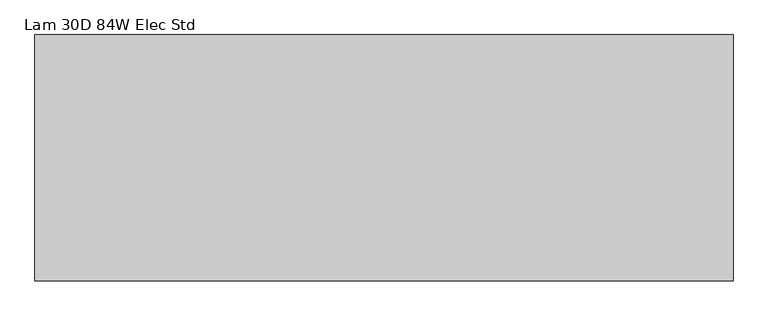
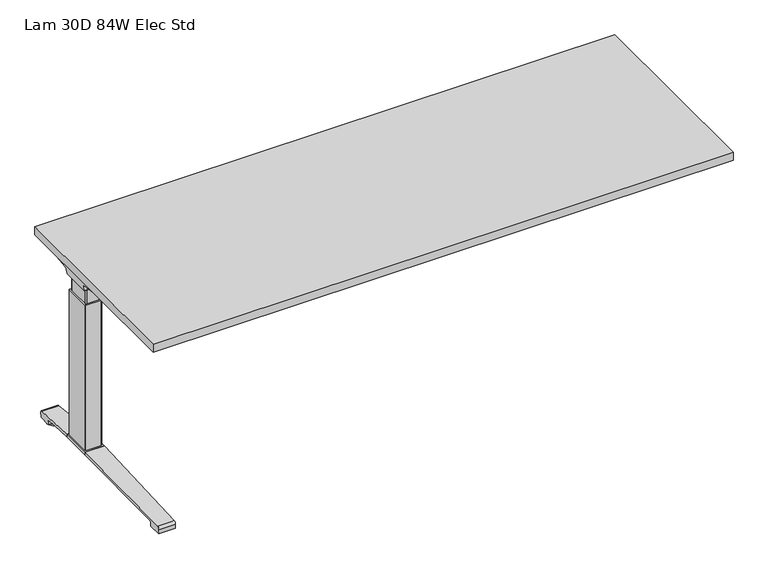
"""IFC4 building model written with IfcOpenShell, lengths in millimetres: furniture geometry, Lam 30D 84W Elec Std."""

from ifc_helpers import new_model, si_unit, point, frame, frame_2d, origin, place, context, project, spatial, polyline, circle_curve, ellipse_curve, trimmed, segment, composite_curve, outline, extrude, source, transform, mapped, element, save
from ifc_brep_helpers import plane_surface, cylinder_surface, revolved_surface, advanced_brep


def lam_30d_84w_elec_std_f8b600fe(model_context):
    return source(origin(), model_context, "Body", "SolidModel", [
        extrude(outline(polyline([(1039.876, 366.776), (1039.876, -366.776), (-1039.876, -366.776), (-1039.876, 366.776), (1039.876, 366.776)])), frame((0.0, 0.0, 707.009), z_axis=(0.0, 0.0, 1.0), x_axis=(1.0, 0.0, 0.0)), (0.0, 0.0, 1.0), 29.591),
        advanced_brep(
        [(-1023.5406297, 194.2506702, 658.5915733), (-857.8122138, 194.2506702, 658.5915733), (-872.1924181, 192.0222169, 655.9442785), (-1021.0518591, 192.0222169, 655.9442785), (-1023.7625278, 194.259656, 658.8276054), (-1026.1619089, 194.9036827, 675.7443054), (-843.3773962, 194.9036827, 675.7443054), (-843.3773962, 194.5556965, 666.6037253), (-846.2075093, 194.4745058, 664.4710821), (-846.3501644, 194.3968397, 662.4310191), (-1027.0185362, 200.3707181, 681.7839076), (-843.3773962, 200.3707181, 681.7839076), (-1029.5393767, 314.9419225, 699.5569507), (-965.3243442, 314.9419225, 699.5569507), (-843.3773962, 234.1372, 687.0219877), (-1029.6128152, 318.7179275, 700.0747243), (-971.0229255, 318.7179275, 700.0747243), (-1030.2871296, 320.2281839, 704.8289399), (-1028.5021288, 317.6512888, 707.009), (-969.4132011, 317.6512888, 707.009), (-1030.2871296, -38.7453839, 704.8289399), (-1029.6128152, -37.2351275, 700.0747243), (-971.0229255, -37.2351275, 700.0747243), (-969.4132011, -36.1684888, 707.009), (-1028.5021288, -36.1684888, 707.009), (-1029.5393767, -33.4591225, 699.5569507), (-965.3243442, -33.4591225, 699.5569507), (-1027.0185362, 81.1120819, 681.7839076), (-843.3773962, 81.1120819, 681.7839076), (-843.3773962, 47.3456, 687.0219877), (-1026.1619089, 86.5791173, 675.7443054), (-843.3773962, 86.5791173, 675.7443054), (-1023.7625278, 87.223144, 658.8276054), (-1023.5406297, 87.2321298, 658.5915733), (-857.8122138, 87.2321298, 658.5915733), (-846.3501644, 87.0859603, 662.4310191), (-846.2075093, 87.0082942, 664.4710821), (-843.3773962, 86.9271035, 666.6037253), (-1021.0518591, 89.4605831, 655.9442785), (-872.1924181, 89.4605831, 655.9442785), (-843.3773962, 47.3456, 707.009), (-843.3773962, 234.1372, 707.009)],
        [
            (0, 1),
            (1, 2, ellipse_curve(frame((-882.0936465, 271.2884009, 750.1086722), z_axis=(0.0, 0.7650318638532662, -0.6439924279750482), x_axis=(0.0, 0.6439924279750482, 0.7650318638532662)), 123.7641411, 94.6835116)),
            (2, 3),
            (3, 0),
            (0, 4),
            (4, 5),
            (5, 6),
            (6, 7),
            (7, 8),
            (8, 9),
            (9, 1, ellipse_curve(frame((-882.0936465, 197.7347686, 750.1086722), z_axis=(0.0, 0.999276106683639, -0.03804290487316255), x_axis=(0.0, 0.03804290487316397, 0.999276106683639)), 94.752102, 94.6835116)),
            (5, 10, ellipse_curve(frame((-1026.1119691, 201.3622409, 675.3922075), z_axis=(-0.990090671484964, 0.0, -0.14042956326377007), x_axis=(-0.1404295632637696, 0.0, 0.990090671484964)), 6.5328852, 6.4681487)),
            (10, 11),
            (11, 6, circle_curve(frame((-843.3773962, 201.3622409, 675.3922075), z_axis=(1.0, 0.0, 0.0), x_axis=(0.0, 1.0, 0.0)), 6.4681487)),
            (10, 12),
            (12, 13),
            (13, 14),
            (14, 11),
            (12, 15),
            (15, 16),
            (16, 13),
            (15, 17, ellipse_curve(frame((-1030.0730772, 316.7408111, 703.3197755), z_axis=(0.990090671484964, 0.0, 0.14042956326377007), x_axis=(0.1404295632637696, 0.0, -0.990090671484964)), 3.8379455, 3.7999141)),
            (17, 18, ellipse_curve(frame((-1031.522811, 316.7408111, 703.3197755), z_axis=(0.7737284588433301, 0.0, -0.6335173809580328), x_axis=(0.6335173809580328, 0.0, 0.77372845884333)), 4.9111727, 3.7999141)),
            (18, 19),
            (19, 16, ellipse_curve(frame((-968.039148, 316.7408111, 703.3197755), z_axis=(-0.5523637579768176, -0.8336031902972347, 0.0), x_axis=(0.8336031902972346, -0.5523637579768176, 0.0)), 6.8793689, 3.7999141)),
            (20, 21, ellipse_curve(frame((-1030.0730772, -35.2580111, 703.3197755), z_axis=(0.990090671484964, 0.0, 0.14042956326377007), x_axis=(0.1404295632637696, 0.0, -0.990090671484964)), 3.8379455, 3.7999141)),
            (21, 22),
            (22, 23, ellipse_curve(frame((-968.039148, -35.2580111, 703.3197755), z_axis=(-0.5523637579750383, 0.8336031902984137, 0.0), x_axis=(0.8336031902984137, 0.5523637579750383, 0.0)), 6.8793689, 3.7999141)),
            (23, 24),
            (24, 20, ellipse_curve(frame((-1031.522811, -35.2580111, 703.3197755), z_axis=(0.7737284588433301, 0.0, -0.6335173809580328), x_axis=(0.6335173809580328, 0.0, 0.77372845884333)), 4.9111727, 3.7999141)),
            (21, 25),
            (25, 26),
            (26, 22),
            (27, 28),
            (28, 29),
            (29, 26),
            (25, 27),
            (27, 30, ellipse_curve(frame((-1026.1119691, 80.1205591, 675.3922075), z_axis=(-0.990090671484964, 0.0, -0.14042956326377007), x_axis=(-0.1404295632637696, 0.0, 0.990090671484964)), 6.5328852, 6.4681487)),
            (30, 31),
            (31, 28, circle_curve(frame((-843.3773962, 80.1205591, 675.3922075), z_axis=(1.0, 0.0, 0.0), x_axis=(0.0, 1.0, 0.0)), 6.4681487)),
            (30, 32),
            (32, 33),
            (33, 34),
            (34, 35, ellipse_curve(frame((-882.0936465, 83.7480314, 750.1086722), z_axis=(0.0, -0.9992761066836363, -0.03804290487323539), x_axis=(0.0, 0.03804290487323121, -0.9992761066836364)), 94.752102, 94.6835116)),
            (35, 36),
            (36, 37),
            (37, 31),
            (33, 38),
            (38, 39),
            (39, 34, ellipse_curve(frame((-882.0936465, 10.1943991, 750.1086722), z_axis=(0.0, -0.7650318638534733, -0.643992427974802), x_axis=(0.0, 0.643992427974802, -0.7650318638534732)), 123.7641411, 94.6835116)),
            (4, 32),
            (20, 17),
            (24, 18),
            (23, 40),
            (40, 41),
            (41, 19),
            (37, 7),
            (14, 41),
            (40, 29),
            (36, 8),
            (35, 9),
            (39, 2),
            (38, 3),
        ],
        [
            plane_surface(frame((-1046.5773962, 192.0222169, 655.9442785), z_axis=(0.0, 0.7650318638532662, -0.6439924279750482), x_axis=(1.0, 0.0, 0.0))),
            plane_surface(frame((-1046.5773962, 194.2506702, 658.5915733), z_axis=(0.0, 0.999276106683639, -0.03804290487316255), x_axis=(1.0, 0.0, 0.0))),
            revolved_surface(polyline([(-1027.0293793154883, 207.8303896, 675.3922075), (-843.3773962, 207.8303896, 675.3922075)]), (-1046.5773962, 201.3622409, 675.3922075), (-1.0, 0.0, 0.0)),
            plane_surface(frame((-1046.5773962, 200.3707181, 681.7839076), z_axis=(0.0, 0.153293135871396, -0.9881807600306302), x_axis=(1.0, 0.0, 0.0))),
            plane_surface(frame((-1046.5773962, 314.9419225, 699.5569507), z_axis=(0.0, 0.13585085469026903, -0.9907292996979162), x_axis=(1.0, 0.0, 0.0))),
            cylinder_surface(frame((-1046.5773962, 316.7408111, 703.3197755), z_axis=(1.0, 0.0, 0.0), x_axis=(0.0, 1.0, 0.0)), 3.7999141),
            cylinder_surface(frame((-1046.5773962, -35.2580111, 703.3197755), z_axis=(1.0, 0.0, 0.0), x_axis=(0.0, 1.0, 0.0)), 3.7999141),
            plane_surface(frame((-1046.5773962, -37.2351275, 700.0747243), z_axis=(0.0, -0.13585085468791205, -0.9907292996982394), x_axis=(1.0, 0.0, 0.0))),
            plane_surface(frame((-1046.5773962, -33.4591225, 699.5569507), z_axis=(0.0, -0.1532931358714066, -0.9881807600306285), x_axis=(1.0, 0.0, 0.0))),
            revolved_surface(polyline([(-1027.0293793154883, 86.5887078, 675.3922075), (-843.3773962, 86.5887078, 675.3922075)]), (-1046.5773962, 80.1205591, 675.3922075), (-1.0, 0.0, 0.0)),
            plane_surface(frame((-1046.5773962, 86.5791173, 675.7443054), z_axis=(0.0, -0.9992761066836363, -0.03804290487323539), x_axis=(1.0, 0.0, 0.0))),
            plane_surface(frame((-1046.5773962, 87.2321298, 658.5915733), z_axis=(0.0, -0.7650318638534733, -0.643992427974802), x_axis=(1.0, 0.0, 0.0))),
            plane_surface(frame((-1023.7625278, 331.2414, 658.8276054), z_axis=(-0.990090671484964, 0.0, -0.14042956326377007), x_axis=(0.0, -1.0, 0.0))),
            plane_surface(frame((-1030.2871296, 331.2414, 704.8289399), z_axis=(-0.7737284588433301, 0.0, 0.6335173809580328), x_axis=(0.0, -1.0, 0.0))),
            plane_surface(frame((-1028.5021288, 331.2414, 707.009), z_axis=(0.0, 0.0, 1.0), x_axis=(0.0, -1.0, 0.0))),
            plane_surface(frame((-843.3773962, 331.2414, 707.009), z_axis=(1.0, 0.0, 0.0), x_axis=(0.0, -1.0, 0.0))),
            plane_surface(frame((-843.3773962, 331.2414, 666.6037253), z_axis=(0.6018150231515789, 0.0, -0.7986355100476467), x_axis=(0.0, -1.0, 0.0))),
            plane_surface(frame((-846.2075093, 331.2414, 664.4710821), z_axis=(0.9975640502600405, 0.0, -0.06975647374103368), x_axis=(0.0, -1.0, 0.0))),
            cylinder_surface(frame((-882.0936465, 331.2414, 750.1086722), z_axis=(0.0, 1.0, 0.0), x_axis=(1.0, 0.0, 0.0)), 94.6835116),
            plane_surface(frame((-872.1924181, 331.2414, 655.9442785), z_axis=(0.0, 0.0, -1.0), x_axis=(0.0, -1.0, 0.0))),
            plane_surface(frame((-1021.0518591, 331.2414, 655.9442785), z_axis=(-0.728584606419653, 0.0, -0.6849558170337118), x_axis=(0.0, -1.0, 0.0))),
            plane_surface(frame((-989.9228017, 331.2414, 707.009), z_axis=(0.5523637579768176, 0.8336031902972347, 0.0), x_axis=(0.0, 0.0, -1.0))),
            plane_surface(frame((-843.3773962, 47.3456, 707.009), z_axis=(0.5523637579750383, -0.8336031902984137, 0.0), x_axis=(0.0, 0.0, -1.0))),
        ],
        [
            (0, [[1, 2, 3, 4]]),
            (1, [[-1, 5, 6, 7, 8, 9, 10, 11]]),
            (2, [[-7, 12, 13, 14]]),
            (3, [[-13, 15, 16, 17, 18]]),
            (4, [[19, 20, 21, -16]]),
            (5, [[22, 23, 24, 25, -20]]),
            (6, [[26, 27, 28, 29, 30]]),
            (7, [[31, 32, 33, -27]]),
            (8, [[34, 35, 36, -32, 37]]),
            (9, [[-34, 38, 39, 40]]),
            (10, [[-39, 41, 42, 43, 44, 45, 46, 47]]),
            (11, [[-43, 48, 49, 50]]),
            (12, [[51, -41, -38, -37, -31, -26, 52, -22, -19, -15, -12, -6]]),
            (13, [[-52, -30, 53, -23]]),
            (14, [[-53, -29, 54, 55, 56, -24]]),
            (15, [[57, -8, -14, -18, 58, -55, 59, -35, -40, -47]]),
            (16, [[-57, -46, 60, -9]]),
            (17, [[-60, -45, 61, -10]]),
            (18, [[-61, -44, -50, 62, -2, -11]]),
            (19, [[-62, -49, 63, -3]]),
            (20, [[-51, -5, -4, -63, -48, -42]]),
            (21, [[-56, -58, -17, -21, -25]]),
            (22, [[-54, -28, -33, -36, -59]]),
        ],
    ),
        advanced_brep(
        [(857.8122138, 194.2506702, 658.5915733), (1023.5406297, 194.2506702, 658.5915733), (1021.0518591, 192.0222169, 655.9442785), (872.1924181, 192.0222169, 655.9442785), (846.3501644, 194.3968397, 662.4310191), (846.2075093, 194.4745058, 664.4710821), (843.5619573, 194.5504018, 666.4646485), (843.5619573, 194.9036827, 675.7443054), (1026.1619089, 194.9036827, 675.7443054), (1023.7625278, 194.259656, 658.8276054), (843.5619573, 200.3707181, 681.7839076), (1027.0185362, 200.3707181, 681.7839076), (843.5619573, 234.1303953, 687.0209321), (965.3570453, 314.9419225, 699.5569507), (1029.5393767, 314.9419225, 699.5569507), (1029.6128152, 318.7179275, 700.0747243), (971.0480509, 318.7179275, 700.0747243), (1030.2871296, 320.2281839, 704.8289399), (969.4404665, 317.6512888, 707.009), (1028.5021288, 317.6512888, 707.009), (1029.6128152, -37.2351275, 700.0747243), (1030.2871296, -38.7453839, 704.8289399), (1028.5021288, -36.1684888, 707.009), (969.4404665, -36.1684888, 707.009), (971.0480509, -37.2351275, 700.0747243), (1029.5393767, -33.4591225, 699.5569507), (965.3570453, -33.4591225, 699.5569507), (843.5619573, 81.1120819, 681.7839076), (1027.0185362, 81.1120819, 681.7839076), (843.5619573, 47.3524047, 687.0209321), (843.5619573, 86.5791173, 675.7443054), (1026.1619089, 86.5791173, 675.7443054), (843.5619573, 86.9323982, 666.4646485), (846.2075093, 87.0082942, 664.4710821), (846.3501644, 87.0859603, 662.4310191), (857.8122138, 87.2321298, 658.5915733), (1023.5406297, 87.2321298, 658.5915733), (1023.7625278, 87.223144, 658.8276054), (872.1924181, 89.4605831, 655.9442785), (1021.0518591, 89.4605831, 655.9442785), (843.5619573, 234.1303953, 707.009), (843.5619573, 47.3524047, 707.009)],
        [
            (0, 1),
            (1, 2),
            (2, 3),
            (3, 0, ellipse_curve(frame((882.0936465, 271.2884009, 750.1086722), z_axis=(0.0, 0.7650318638532565, -0.6439924279750596), x_axis=(0.0, -0.6439924279750596, -0.7650318638532564)), 123.7641411, 94.6835116)),
            (0, 4, ellipse_curve(frame((882.0936465, 197.7347686, 750.1086722), z_axis=(0.0, 0.9992761066836392, -0.03804290487315862), x_axis=(0.0, -0.03804290487315623, -0.9992761066836393)), 94.752102, 94.6835116)),
            (4, 5),
            (5, 6),
            (6, 7),
            (7, 8),
            (8, 9),
            (9, 1),
            (7, 10, circle_curve(frame((843.5619573, 201.3622409, 675.3922075), z_axis=(-1.0, 0.0, 0.0), x_axis=(0.0, 1.0, 0.0)), 6.4681487)),
            (10, 11),
            (11, 8, ellipse_curve(frame((1026.1119691, 201.3622409, 675.3922075), z_axis=(0.9900906714849659, 0.0, -0.1404295632637567), x_axis=(-0.1404295632637562, 0.0, -0.9900906714849659)), 6.5328852, 6.4681487)),
            (10, 12),
            (12, 13),
            (13, 14),
            (14, 11),
            (15, 14),
            (13, 16),
            (16, 15),
            (17, 15, ellipse_curve(frame((1030.0730772, 316.7408111, 703.3197755), z_axis=(-0.9900906714849659, 0.0, 0.1404295632637567), x_axis=(0.1404295632637562, 0.0, 0.9900906714849659)), 3.8379455, 3.7999141)),
            (16, 18, ellipse_curve(frame((968.06824, 316.7408111, 703.3197755), z_axis=(0.5528743936295486, -0.8332646067539164, 0.0), x_axis=(0.8332646067539164, 0.5528743936295486, 0.0)), 6.8730151, 3.7999141)),
            (18, 19),
            (19, 17, ellipse_curve(frame((1031.522811, 316.7408111, 703.3197755), z_axis=(-0.7737284588399557, 0.0, -0.633517380962154), x_axis=(0.6335173809621538, 0.0, -0.7737284588399556)), 4.9111727, 3.7999141)),
            (20, 21, ellipse_curve(frame((1030.0730772, -35.2580111, 703.3197755), z_axis=(-0.9900906714849659, 0.0, 0.1404295632637567), x_axis=(0.1404295632637562, 0.0, 0.9900906714849659)), 3.8379455, 3.7999141)),
            (21, 22, ellipse_curve(frame((1031.522811, -35.2580111, 703.3197755), z_axis=(-0.7737284588399557, 0.0, -0.633517380962154), x_axis=(0.6335173809621538, 0.0, -0.7737284588399556)), 4.9111727, 3.7999141)),
            (22, 23),
            (23, 24, ellipse_curve(frame((968.06824, -35.2580111, 703.3197755), z_axis=(0.5528743936295331, 0.8332646067539268, 0.0), x_axis=(0.8332646067539268, -0.5528743936295332, 0.0)), 6.8730151, 3.7999141)),
            (24, 20),
            (25, 20),
            (24, 26),
            (26, 25),
            (27, 28),
            (28, 25),
            (26, 29),
            (29, 27),
            (27, 30, circle_curve(frame((843.5619573, 80.1205591, 675.3922075), z_axis=(-1.0, 0.0, 0.0), x_axis=(0.0, 1.0, 0.0)), 6.4681487)),
            (30, 31),
            (31, 28, ellipse_curve(frame((1026.1119691, 80.1205591, 675.3922075), z_axis=(0.9900906714849659, 0.0, -0.1404295632637567), x_axis=(-0.1404295632637562, 0.0, -0.9900906714849659)), 6.5328852, 6.4681487)),
            (30, 32),
            (32, 33),
            (33, 34),
            (34, 35, ellipse_curve(frame((882.0936465, 83.7480314, 750.1086722), z_axis=(0.0, -0.9992761066836363, -0.03804290487323539), x_axis=(0.0, -0.03804290487323121, 0.9992761066836364)), 94.752102, 94.6835116)),
            (35, 36),
            (36, 37),
            (37, 31),
            (35, 38, ellipse_curve(frame((882.0936465, 10.1943991, 750.1086722), z_axis=(0.0, -0.7650318638534733, -0.643992427974802), x_axis=(0.0, -0.643992427974802, 0.7650318638534732)), 123.7641411, 94.6835116)),
            (38, 39),
            (39, 36),
            (37, 9),
            (17, 21),
            (19, 22),
            (18, 40),
            (40, 41),
            (41, 23),
            (6, 32),
            (29, 41),
            (40, 12),
            (5, 33),
            (4, 34),
            (3, 38),
            (2, 39),
        ],
        [
            plane_surface(frame((843.5619573, 192.0222169, 655.9442785), z_axis=(0.0, 0.7650318638532565, -0.6439924279750596), x_axis=(1.0, 0.0, 0.0))),
            plane_surface(frame((843.5619573, 194.2506702, 658.5915733), z_axis=(0.0, 0.9992761066836392, -0.03804290487315862), x_axis=(1.0, 0.0, 0.0))),
            revolved_surface(polyline([(843.5619573, 207.8303896, 675.3922075), (1027.029379315488, 207.8303896, 675.3922075)]), (843.5619573, 201.3622409, 675.3922075), (-1.0, 0.0, 0.0)),
            plane_surface(frame((843.5619573, 200.3707181, 681.7839076), z_axis=(0.0, 0.15329313587140309, -0.988180760030629), x_axis=(1.0, 0.0, 0.0))),
            plane_surface(frame((843.5619573, 314.9419225, 699.5569507), z_axis=(0.0, 0.1358508546900816, -0.9907292996979419), x_axis=(1.0, 0.0, 0.0))),
            cylinder_surface(frame((843.5619573, 316.7408111, 703.3197755), z_axis=(1.0, 0.0, 0.0), x_axis=(0.0, 1.0, 0.0)), 3.7999141),
            cylinder_surface(frame((843.5619573, -35.2580111, 703.3197755), z_axis=(1.0, 0.0, 0.0), x_axis=(0.0, 1.0, 0.0)), 3.7999141),
            plane_surface(frame((843.5619573, -37.2351275, 700.0747243), z_axis=(0.0, -0.1358508546877776, -0.9907292996982578), x_axis=(1.0, 0.0, 0.0))),
            plane_surface(frame((843.5619573, -33.4591225, 699.5569507), z_axis=(0.0, -0.15329313587141113, -0.9881807600306277), x_axis=(1.0, 0.0, 0.0))),
            revolved_surface(polyline([(843.5619573, 86.5887078, 675.3922075), (1027.029379315488, 86.5887078, 675.3922075)]), (843.5619573, 80.1205591, 675.3922075), (-1.0, 0.0, 0.0)),
            plane_surface(frame((843.5619573, 86.5791173, 675.7443054), z_axis=(0.0, -0.9992761066836363, -0.03804290487323539), x_axis=(1.0, 0.0, 0.0))),
            plane_surface(frame((843.5619573, 87.2321298, 658.5915733), z_axis=(0.0, -0.7650318638534733, -0.643992427974802), x_axis=(1.0, 0.0, 0.0))),
            plane_surface(frame((1023.7625278, -49.7586, 658.8276054), z_axis=(0.9900906714849659, 0.0, -0.1404295632637567), x_axis=(0.0, 1.0, 0.0))),
            plane_surface(frame((1030.2871296, -49.7586, 704.8289399), z_axis=(0.7737284588399557, 0.0, 0.633517380962154), x_axis=(0.0, 1.0, 0.0))),
            plane_surface(frame((1028.5021288, -49.7586, 707.009), z_axis=(0.0, 0.0, 1.0), x_axis=(0.0, 1.0, 0.0))),
            plane_surface(frame((843.5619573, -49.7586, 707.009), z_axis=(-1.0, 0.0, 0.0), x_axis=(0.0, 1.0, 0.0))),
            plane_surface(frame((843.5619573, -49.7586, 666.4646485), z_axis=(-0.6018150231540728, 0.0, -0.7986355100457674), x_axis=(0.0, 1.0, 0.0))),
            plane_surface(frame((846.2075093, -49.7586, 664.4710821), z_axis=(-0.9975640502598242, 0.0, -0.06975647374412697), x_axis=(0.0, 1.0, 0.0))),
            cylinder_surface(frame((882.0936465, -49.7586, 750.1086722), z_axis=(0.0, -1.0, 0.0), x_axis=(-1.0, 0.0, 0.0)), 94.6835116),
            plane_surface(frame((872.1924181, -49.7586, 655.9442785), z_axis=(0.0, 0.0, -1.0), x_axis=(0.0, 1.0, 0.0))),
            plane_surface(frame((1021.0518591, -49.7586, 655.9442785), z_axis=(0.7285846064222866, 0.0, -0.6849558170309101), x_axis=(0.0, 1.0, 0.0))),
            plane_surface(frame((843.5619573, 234.1303953, 707.009), z_axis=(-0.5528743936295486, 0.8332646067539164, 0.0), x_axis=(0.0, 0.0, -1.0))),
            plane_surface(frame((989.9228017, -49.7586, 707.009), z_axis=(-0.5528743936295331, -0.8332646067539268, 0.0), x_axis=(0.0, 0.0, -1.0))),
        ],
        [
            (0, [[1, 2, 3, 4]]),
            (1, [[-1, 5, 6, 7, 8, 9, 10, 11]]),
            (2, [[-9, 12, 13, 14]]),
            (3, [[-13, 15, 16, 17, 18]]),
            (4, [[19, -17, 20, 21]]),
            (5, [[22, -21, 23, 24, 25]]),
            (6, [[26, 27, 28, 29, 30]]),
            (7, [[31, -30, 32, 33]]),
            (8, [[34, 35, -33, 36, 37]]),
            (9, [[-34, 38, 39, 40]]),
            (10, [[-39, 41, 42, 43, 44, 45, 46, 47]]),
            (11, [[-45, 48, 49, 50]]),
            (12, [[51, -10, -14, -18, -19, -22, 52, -26, -31, -35, -40, -47]]),
            (13, [[-52, -25, 53, -27]]),
            (14, [[-53, -24, 54, 55, 56, -28]]),
            (15, [[57, -41, -38, -37, 58, -55, 59, -15, -12, -8]]),
            (16, [[-57, -7, 60, -42]]),
            (17, [[-60, -6, 61, -43]]),
            (18, [[-61, -5, -4, 62, -48, -44]]),
            (19, [[-62, -3, 63, -49]]),
            (20, [[-51, -46, -50, -63, -2, -11]]),
            (21, [[-54, -23, -20, -16, -59]]),
            (22, [[-56, -58, -36, -32, -29]]),
        ],
    ),
        advanced_brep(
        [(-843.3773962, 219.4245697, 701.7794894), (-843.3773962, 221.1889242, 704.0075511), (-843.3773962, 232.1695225, 704.0075511), (-843.3773962, 232.8996919, 701.4093085), (-843.3773962, 211.4733108, 671.8462148), (-843.3773962, 194.0724914, 663.2452863), (-843.3773962, 87.2846156, 663.2452863), (-843.3773962, 69.6568217, 672.2997482), (-843.3773962, 48.3221138, 702.0706054), (-843.3773962, 49.9606766, 704.1266572), (-843.3773962, 60.1758098, 704.1266572), (-843.3773962, 62.0467848, 701.7794894), (-843.3773962, 61.3055637, 701.2423822), (-843.3773962, 59.7353363, 703.2122572), (-843.3773962, 50.0567238, 703.2122572), (-843.3773962, 49.2508351, 702.3444366), (-843.3773962, 70.4000744, 672.8323858), (-843.3773962, 87.2846156, 664.1598536), (-843.3773962, 194.0724914, 664.1596863), (-843.3773962, 210.73984, 672.3923713), (-843.3773962, 232.0935627, 701.8552144), (-843.3773962, 231.8362942, 703.0931511), (-843.3773962, 221.631209, 703.0931511), (-843.3773962, 220.1656719, 701.2424419), (843.5619573, 219.4245697, 701.7794894), (843.5619573, 220.1656719, 701.2424419), (843.5619573, 221.631209, 703.0931511), (843.5619573, 231.8362942, 703.0931511), (843.5619573, 232.0935627, 701.8552144), (843.5619573, 210.73984, 672.3923713), (843.5619573, 194.0724914, 664.1596863), (843.5619573, 87.2846155, 664.1596863), (843.5619573, 70.4000744, 672.8323858), (843.5619573, 49.2508351, 702.3444366), (843.5619573, 50.0567238, 703.2122572), (843.5619573, 59.7353363, 703.2122572), (843.5619573, 61.3055637, 701.2423822), (843.5619573, 62.0467848, 701.7794894), (843.5619573, 60.1758098, 704.1266572), (843.5619573, 49.9606766, 704.1266572), (843.5619573, 48.3221138, 702.0706054), (843.5619573, 69.6568217, 672.2997482), (843.5619573, 87.2846156, 663.2454536), (843.5619573, 194.0724914, 663.2452863), (843.5619573, 211.4733108, 671.8462148), (843.5619573, 232.8996919, 701.4093085), (843.5619573, 232.1695225, 704.0075511), (843.5619573, 221.1889242, 704.0075511)],
        [
            (0, 1),
            (1, 2),
            (2, 3, circle_curve(frame((-843.3773962, 230.9519576, 702.2636667), z_axis=(-1.0, 0.0, 0.0), x_axis=(0.0, 1.0, 0.0)), 2.1268749)),
            (3, 4),
            (4, 5, circle_curve(frame((-843.3773962, 194.0724914, 685.1478336), z_axis=(-1.0, 0.0, 0.0), x_axis=(0.0, 1.0, 0.0)), 21.9025472)),
            (5, 6),
            (6, 7, circle_curve(frame((-843.3773962, 87.2846156, 684.932365), z_axis=(-1.0, 0.0, 0.0), x_axis=(0.0, 1.0, 0.0)), 21.6869114)),
            (7, 8),
            (8, 9, circle_curve(frame((-843.3773962, 50.3224635, 702.1573833), z_axis=(-1.0, 0.0, 0.0), x_axis=(0.0, 1.0, 0.0)), 2.0022311)),
            (9, 10),
            (10, 11),
            (11, 12),
            (12, 13),
            (13, 14),
            (14, 15, circle_curve(frame((-843.3773962, 50.3224635, 702.1573833), z_axis=(1.0, 0.0, 0.0), x_axis=(0.0, 1.0, 0.0)), 1.0878311)),
            (15, 16),
            (16, 17, circle_curve(frame((-843.3773962, 87.2846156, 684.932365), z_axis=(1.0, 0.0, 0.0), x_axis=(0.0, 1.0, 0.0)), 20.7725114)),
            (17, 18),
            (18, 19, circle_curve(frame((-843.3773962, 194.0724914, 685.1478336), z_axis=(1.0, 0.0, 0.0), x_axis=(0.0, 1.0, 0.0)), 20.9881473)),
            (19, 20),
            (20, 21, circle_curve(frame((-843.3773962, 230.9519576, 702.2636667), z_axis=(1.0, 0.0, 0.0), x_axis=(0.0, 1.0, 0.0)), 1.2124749)),
            (21, 22),
            (22, 23),
            (23, 0),
            (24, 25),
            (25, 26),
            (26, 27),
            (27, 28, circle_curve(frame((843.5619573, 230.9519576, 702.2636667), z_axis=(-1.0, 0.0, 0.0), x_axis=(0.0, 1.0, 0.0)), 1.2124749)),
            (28, 29),
            (29, 30, circle_curve(frame((843.5619573, 194.0724914, 685.1478336), z_axis=(-1.0, 0.0, 0.0), x_axis=(0.0, 1.0, 0.0)), 20.9881473)),
            (30, 31),
            (31, 32, circle_curve(frame((843.5619573, 87.2846156, 684.932365), z_axis=(-1.0, 0.0, 0.0), x_axis=(0.0, 1.0, 0.0)), 20.7725114)),
            (32, 33),
            (33, 34, circle_curve(frame((843.5619573, 50.3224635, 702.1573833), z_axis=(-1.0, 0.0, 0.0), x_axis=(0.0, 1.0, 0.0)), 1.0878311)),
            (34, 35),
            (35, 36),
            (36, 37),
            (37, 38),
            (38, 39),
            (39, 40, circle_curve(frame((843.5619573, 50.3224635, 702.1573833), z_axis=(1.0, 0.0, 0.0), x_axis=(0.0, 1.0, 0.0)), 2.0022311)),
            (40, 41),
            (41, 42, circle_curve(frame((843.5619573, 87.2846156, 684.932365), z_axis=(1.0, 0.0, 0.0), x_axis=(0.0, 1.0, 0.0)), 21.6869114)),
            (42, 43),
            (43, 44, circle_curve(frame((843.5619573, 194.0724914, 685.1478336), z_axis=(1.0, 0.0, 0.0), x_axis=(0.0, 1.0, 0.0)), 21.9025472)),
            (44, 45),
            (45, 46, circle_curve(frame((843.5619573, 230.9519576, 702.2636667), z_axis=(1.0, 0.0, 0.0), x_axis=(0.0, 1.0, 0.0)), 2.1268749)),
            (46, 47),
            (47, 24),
            (0, 24),
            (47, 1),
            (46, 2),
            (45, 3),
            (44, 4),
            (43, 5),
            (42, 6),
            (41, 7),
            (40, 8),
            (39, 9),
            (38, 10),
            (37, 11),
            (36, 12),
            (35, 13),
            (34, 14),
            (33, 15),
            (32, 16),
            (31, 17),
            (30, 18),
            (29, 19),
            (28, 20),
            (27, 21),
            (26, 22),
            (25, 23),
        ],
        [
            plane_surface(frame((-843.3773962, 140.7414, 707.009), z_axis=(-1.0, 0.0, 0.0), x_axis=(0.0, 0.0, 1.0))),
            plane_surface(frame((843.5619573, 140.7414, 707.009), z_axis=(1.0, 0.0, 0.0), x_axis=(0.0, 0.0, 1.0))),
            plane_surface(frame((-843.3773962, 219.4245697, 701.7794894), z_axis=(0.0, -0.7839649337165058, 0.6208051084703434), x_axis=(1.0, 0.0, 0.0))),
            plane_surface(frame((-843.3773962, 221.1889242, 704.0075511), z_axis=(0.0, 0.0, 1.0), x_axis=(1.0, 0.0, 0.0))),
            cylinder_surface(frame((-843.3773962, 230.9519576, 702.2636667), z_axis=(-1.0, 0.0, 0.0), x_axis=(0.0, 1.0, 0.0)), 2.1268749),
            plane_surface(frame((-843.3773962, 232.8996919, 701.4093085), z_axis=(0.0, 0.8096997445281038, -0.586844377762217), x_axis=(1.0, 0.0, 0.0))),
            cylinder_surface(frame((-843.3773962, 194.0724914, 685.1478336), z_axis=(-1.0, 0.0, 0.0), x_axis=(0.0, 1.0, 0.0)), 21.9025472),
            plane_surface(frame((-843.3773962, 194.0724914, 663.2452863), z_axis=(0.0, 0.0, -1.0), x_axis=(1.0, 0.0, 0.0))),
            cylinder_surface(frame((-843.3773962, 87.2846156, 684.932365), z_axis=(-1.0, 0.0, 0.0), x_axis=(0.0, 1.0, 0.0)), 21.6869114),
            plane_surface(frame((-843.3773962, 69.6568217, 672.2997482), z_axis=(0.0, -0.8128309997561537, -0.5824995844079305), x_axis=(1.0, 0.0, 0.0))),
            cylinder_surface(frame((-843.3773962, 50.3224635, 702.1573833), z_axis=(-1.0, 0.0, 0.0), x_axis=(0.0, 1.0, 0.0)), 2.0022311),
            plane_surface(frame((-843.3773962, 49.9606766, 704.1266572), z_axis=(0.0, 0.0, 1.0), x_axis=(1.0, 0.0, 0.0))),
            plane_surface(frame((-843.3773962, 60.1758098, 704.1266572), z_axis=(0.0, 0.7819660587237972, 0.6233210112004657), x_axis=(1.0, 0.0, 0.0))),
            plane_surface(frame((-843.3773962, 62.0467848, 701.7794894), z_axis=(0.0, 0.5867684336468096, -0.8097547809526473), x_axis=(1.0, 0.0, 0.0))),
            plane_surface(frame((-843.3773962, 61.3055637, 701.2423822), z_axis=(0.0, -0.7819660587239206, -0.6233210112003109), x_axis=(1.0, 0.0, 0.0))),
            plane_surface(frame((-843.3773962, 59.7353363, 703.2122572), z_axis=(0.0, 0.0, -1.0), x_axis=(1.0, 0.0, 0.0))),
            revolved_surface(polyline([(843.5619572999999, 51.4102946, 702.1573833), (-843.3773962, 51.4102946, 702.1573833)]), (-843.3773962, 50.3224635, 702.1573833), (1.0, 0.0, 0.0)),
            plane_surface(frame((-843.3773962, 49.2508351, 702.3444366), z_axis=(0.0, 0.8128309996716102, 0.582499584525904), x_axis=(1.0, 0.0, 0.0))),
            revolved_surface(polyline([(843.5619572999999, 108.057127, 684.932365), (-843.3773962, 108.057127, 684.932365)]), (-843.3773962, 87.2846156, 684.932365), (1.0, 0.0, 0.0)),
            plane_surface(frame((-843.3773962, 87.2846155, 664.1596863), z_axis=(0.0, 0.0, 1.0), x_axis=(1.0, 0.0, 0.0))),
            revolved_surface(polyline([(843.5619572999999, 215.0606387, 685.1478336), (-843.3773962, 215.0606387, 685.1478336)]), (-843.3773962, 194.0724914, 685.1478336), (1.0, 0.0, 0.0)),
            plane_surface(frame((-843.3773962, 210.73984, 672.3923713), z_axis=(0.0, -0.8096997449536107, 0.5868443771751228), x_axis=(1.0, 0.0, 0.0))),
            revolved_surface(polyline([(843.5619572999999, 232.16443249999998, 702.2636667), (-843.3773962, 232.16443249999998, 702.2636667)]), (-843.3773962, 230.9519576, 702.2636667), (1.0, 0.0, 0.0)),
            plane_surface(frame((-843.3773962, 231.8362942, 703.0931511), z_axis=(0.0, 0.0, -1.0), x_axis=(1.0, 0.0, 0.0))),
            plane_surface(frame((-843.3773962, 221.631209, 703.0931511), z_axis=(0.0, 0.7839649337164979, -0.6208051084703533), x_axis=(1.0, 0.0, 0.0))),
            plane_surface(frame((-843.3773962, 220.1656719, 701.2424419), z_axis=(0.0, -0.5867873637752554, -0.8097410633737715), x_axis=(1.0, 0.0, 0.0))),
        ],
        [
            (0, [[1, 2, 3, 4, 5, 6, 7, 8, 9, 10, 11, 12, 13, 14, 15, 16, 17, 18, 19, 20, 21, 22, 23, 24]]),
            (1, [[25, 26, 27, 28, 29, 30, 31, 32, 33, 34, 35, 36, 37, 38, 39, 40, 41, 42, 43, 44, 45, 46, 47, 48]]),
            (2, [[-1, 49, -48, 50]]),
            (3, [[-2, -50, -47, 51]]),
            (4, [[-3, -51, -46, 52]]),
            (5, [[-4, -52, -45, 53]]),
            (6, [[-5, -53, -44, 54]]),
            (7, [[-6, -54, -43, 55]]),
            (8, [[-7, -55, -42, 56]]),
            (9, [[-8, -56, -41, 57]]),
            (10, [[-9, -57, -40, 58]]),
            (11, [[-10, -58, -39, 59]]),
            (12, [[-11, -59, -38, 60]]),
            (13, [[-12, -60, -37, 61]]),
            (14, [[-13, -61, -36, 62]]),
            (15, [[-14, -62, -35, 63]]),
            (16, [[-15, -63, -34, 64]]),
            (17, [[-16, -64, -33, 65]]),
            (18, [[-17, -65, -32, 66]]),
            (19, [[-18, -66, -31, 67]]),
            (20, [[-19, -67, -30, 68]]),
            (21, [[-20, -68, -29, 69]]),
            (22, [[-21, -69, -28, 70]]),
            (23, [[-22, -70, -27, 71]]),
            (24, [[-23, -71, -26, 72]]),
            (25, [[-24, -72, -25, -49]]),
        ],
    ),
        extrude(outline(composite_curve([segment(polyline([(55.5056383, 705.3739712), (47.2253898, 705.3739712), (46.7140592, 704.3565876), (69.739753, 672.4872047)]), True, "CONTINUOUS"), segment(trimmed(circle_curve(frame_2d((87.8837814, 688.0741393)), 23.9198306), [point((69.739753, 672.4872047))], [point((87.8837814, 664.1543087))], True, "CARTESIAN"), True, "CONTINUOUS"), segment(polyline([(87.8837814, 664.1543087), (301.5718611, 664.1543087)]), True, "CONTINUOUS"), segment(trimmed(circle_curve(frame_2d((302.3659677, 686.2522042)), 22.1121593), [point((301.5718611, 664.1543087))], [point((320.2711793, 673.2771903))], True, "CARTESIAN"), True, "CONTINUOUS"), segment(polyline([(320.2711793, 673.2771903), (342.2234672, 703.5708273), (342.9639039, 703.0342821), (321.0116102, 672.740637)]), True, "CONTINUOUS"), segment(trimmed(circle_curve(frame_2d((302.3659677, 686.2522042)), 23.0265593), [point((321.0116102, 672.740637))], [point((301.555603, 663.2399087))], False, "CARTESIAN"), True, "CONTINUOUS"), segment(polyline([(301.555603, 663.2399087), (87.8837814, 663.2399087)]), True, "CONTINUOUS"), segment(trimmed(circle_curve(frame_2d((87.8837814, 688.0741393)), 24.8342306), [point((87.8837814, 663.2399087))], [point((69.0208769, 671.9208163))], False, "CARTESIAN"), True, "CONTINUOUS"), segment(polyline([(69.0208769, 671.9208163), (45.6477131, 704.2711252), (46.6615684, 706.2883712), (55.7445219, 706.2883712), (55.5056383, 705.3739712)]), True, "CONTINUOUS")], self_intersect=False)), frame((-843.3773962, 0.0, 0.0), z_axis=(1.0, 0.0, 0.0), x_axis=(0.0, 1.0, 0.0)), (0.0, 0.0, 1.0), 1686.9393535),
        advanced_brep(
        [(967.1283088, 185.4896497, 655.9442785), (964.3624028, 183.1364111, 655.9442785), (964.3624028, 98.3627858, 655.9442785), (967.4159671, 96.013387, 655.9442785), (1010.7299922, 95.9931503, 655.9442785), (1013.7895972, 98.3628936, 655.9442785), (1013.7895972, 183.1364956, 655.9442785), (1011.0236912, 185.4896497, 655.9442785), (967.1283088, 185.4896497, 599.0990785), (1011.0236912, 185.4896497, 599.0990785), (1013.7895972, 183.1364956, 599.0990785), (1013.7895972, 98.3628936, 599.0990785), (1010.7360098, 96.0133923, 599.0990785), (967.4220078, 95.9931503, 599.0990785), (964.3624028, 98.3627858, 599.0990785), (964.3624028, 183.1364111, 599.0990785)],
        [
            (0, 1, circle_curve(frame((967.4300788, 182.3328719, 655.9442785), z_axis=(0.0, 0.0, 1.0), x_axis=(1.0, 0.0, 0.0)), 3.1711688)),
            (1, 2),
            (2, 3, circle_curve(frame((967.4159671, 99.172478, 655.9442785), z_axis=(0.0, 0.0, 1.0), x_axis=(1.0, 0.0, 0.0)), 3.1590911)),
            (3, 4),
            (4, 5, circle_curve(frame((1010.7360098, 99.172478, 655.9442785), z_axis=(0.0, 0.0, 1.0), x_axis=(1.0, 0.0, 0.0)), 3.1590858)),
            (5, 6),
            (6, 7, circle_curve(frame((1010.7219439, 182.3328698, 655.9442785), z_axis=(0.0, 0.0, 1.0), x_axis=(1.0, 0.0, 0.0)), 3.1711687)),
            (7, 0),
            (8, 9),
            (9, 10, circle_curve(frame((1010.7219439, 182.3328698, 599.0990785), z_axis=(0.0, 0.0, -1.0), x_axis=(1.0, 0.0, 0.0)), 3.1711687)),
            (10, 11),
            (11, 12, circle_curve(frame((1010.7360098, 99.172478, 599.0990785), z_axis=(0.0, 0.0, -1.0), x_axis=(1.0, 0.0, 0.0)), 3.1590858)),
            (12, 13),
            (13, 14, circle_curve(frame((967.4159671, 99.172478, 599.0990785), z_axis=(0.0, 0.0, -1.0), x_axis=(1.0, 0.0, 0.0)), 3.1590911)),
            (14, 15),
            (15, 8, circle_curve(frame((967.4300788, 182.3328719, 599.0990785), z_axis=(0.0, 0.0, -1.0), x_axis=(1.0, 0.0, 0.0)), 3.1711688)),
            (7, 9),
            (8, 0),
            (6, 10),
            (5, 11),
            (4, 12),
            (3, 13),
            (2, 14),
            (1, 15),
        ],
        [
            plane_surface(frame((970.6012476, 182.3328719, 655.9442785), z_axis=(0.0, 0.0, 1.0), x_axis=(0.0, 1.0, 0.0))),
            plane_surface(frame((970.6012476, 182.3328719, 599.0990785), z_axis=(0.0, 0.0, -1.0), x_axis=(0.0, -1.0, 0.0))),
            plane_surface(frame((1011.0236912, 185.4896497, 655.9442785), z_axis=(0.0, 1.0, 0.0), x_axis=(0.0, 0.0, -1.0))),
            cylinder_surface(frame((1010.7219439, 182.3328698, 599.0990785), z_axis=(0.0, 0.0, 1.0), x_axis=(1.0, 0.0, 0.0)), 3.1711687),
            plane_surface(frame((1013.7895972, 98.3628936, 655.9442785), z_axis=(1.0, 0.0, 0.0), x_axis=(0.0, 0.0, -1.0))),
            cylinder_surface(frame((1010.7360098, 99.172478, 599.0990785), z_axis=(0.0, 0.0, 1.0), x_axis=(1.0, 0.0, 0.0)), 3.1590858),
            plane_surface(frame((967.4220078, 95.9931503, 655.9442785), z_axis=(0.0, -1.0, 0.0), x_axis=(0.0, 0.0, -1.0))),
            cylinder_surface(frame((967.4159671, 99.172478, 599.0990785), z_axis=(0.0, 0.0, 1.0), x_axis=(1.0, 0.0, 0.0)), 3.1590911),
            plane_surface(frame((964.3624028, 183.1364111, 655.9442785), z_axis=(-1.0, 0.0, 0.0), x_axis=(0.0, 0.0, -1.0))),
            cylinder_surface(frame((967.4300788, 182.3328719, 599.0990785), z_axis=(0.0, 0.0, 1.0), x_axis=(1.0, 0.0, 0.0)), 3.1711688),
        ],
        [
            (0, [[1, 2, 3, 4, 5, 6, 7, 8]]),
            (1, [[9, 10, 11, 12, 13, 14, 15, 16]]),
            (2, [[-8, 17, -9, 18]]),
            (3, [[-7, 19, -10, -17]]),
            (4, [[-6, 20, -11, -19]]),
            (5, [[-5, 21, -12, -20]]),
            (6, [[-4, 22, -13, -21]]),
            (7, [[-3, 23, -14, -22]]),
            (8, [[-2, 24, -15, -23]]),
            (9, [[-1, -18, -16, -24]]),
        ],
    ),
        advanced_brep(
        [(-967.1283088, 185.4896497, 655.9442785), (-1011.0236912, 185.4896497, 655.9442785), (-1013.7806448, 183.1699241, 655.9442785), (-1013.7806448, 98.3298508, 655.9442785), (-1010.7360098, 96.0133923, 655.9442785), (-967.4220078, 95.9931503, 655.9442785), (-964.3713552, 98.3297475, 655.9442785), (-964.3713552, 183.1698433, 655.9442785), (-967.1283088, 185.4896497, 599.0990785), (-964.3713552, 183.1698433, 599.0990785), (-964.3713552, 98.3297475, 599.0990785), (-967.4159671, 96.013387, 599.0990785), (-1010.7299922, 95.9931503, 599.0990785), (-1013.7806448, 98.3298508, 599.0990785), (-1013.7806448, 183.1699241, 599.0990785), (-1011.0236912, 185.4896497, 599.0990785)],
        [
            (0, 1),
            (1, 2, circle_curve(frame((-1010.7219439, 182.3328698, 655.9442785), z_axis=(0.0, 0.0, 1.0), x_axis=(-1.0, 0.0, 0.0)), 3.1711687)),
            (2, 3),
            (3, 4, circle_curve(frame((-1010.7360098, 99.172478, 655.9442785), z_axis=(0.0, 0.0, 1.0), x_axis=(-1.0, 0.0, 0.0)), 3.1590858)),
            (4, 5),
            (5, 6, circle_curve(frame((-967.4159671, 99.172478, 655.9442785), z_axis=(0.0, 0.0, 1.0), x_axis=(-1.0, 0.0, 0.0)), 3.1590911)),
            (6, 7),
            (7, 0, circle_curve(frame((-967.4300788, 182.3328719, 655.9442785), z_axis=(0.0, 0.0, 1.0), x_axis=(-1.0, 0.0, 0.0)), 3.1711688)),
            (8, 9, circle_curve(frame((-967.4300788, 182.3328719, 599.0990785), z_axis=(0.0, 0.0, -1.0), x_axis=(-1.0, 0.0, 0.0)), 3.1711688)),
            (9, 10),
            (10, 11, circle_curve(frame((-967.4159671, 99.172478, 599.0990785), z_axis=(0.0, 0.0, -1.0), x_axis=(-1.0, 0.0, 0.0)), 3.1590911)),
            (11, 12),
            (12, 13, circle_curve(frame((-1010.7360098, 99.172478, 599.0990785), z_axis=(0.0, 0.0, -1.0), x_axis=(-1.0, 0.0, 0.0)), 3.1590858)),
            (13, 14),
            (14, 15, circle_curve(frame((-1010.7219439, 182.3328698, 599.0990785), z_axis=(0.0, 0.0, -1.0), x_axis=(-1.0, 0.0, 0.0)), 3.1711687)),
            (15, 8),
            (0, 8),
            (15, 1),
            (14, 2),
            (13, 3),
            (12, 4),
            (11, 5),
            (10, 6),
            (9, 7),
        ],
        [
            plane_surface(frame((-1011.0236912, 185.4896497, 655.9442785), z_axis=(0.0, 0.0, 1.0), x_axis=(-1.0, 0.0, 0.0))),
            plane_surface(frame((-1011.0236912, 185.4896497, 599.0990785), z_axis=(0.0, 0.0, -1.0), x_axis=(1.0, 0.0, 0.0))),
            plane_surface(frame((-967.1283088, 185.4896497, 655.9442785), z_axis=(0.0, 1.0, 0.0), x_axis=(0.0, 0.0, -1.0))),
            cylinder_surface(frame((-1010.7219439, 182.3328698, 599.0990785), z_axis=(0.0, 0.0, 1.0), x_axis=(-1.0, 0.0, 0.0)), 3.1711687),
            plane_surface(frame((-1013.7806448, 183.1699241, 655.9442785), z_axis=(-1.0, 0.0, 0.0), x_axis=(0.0, 0.0, -1.0))),
            cylinder_surface(frame((-1010.7360098, 99.172478, 599.0990785), z_axis=(0.0, 0.0, 1.0), x_axis=(-1.0, 0.0, 0.0)), 3.1590858),
            plane_surface(frame((-1010.7299922, 95.9931503, 655.9442785), z_axis=(0.0, -1.0, 0.0), x_axis=(0.0, 0.0, -1.0))),
            cylinder_surface(frame((-967.4159671, 99.172478, 599.0990785), z_axis=(0.0, 0.0, 1.0), x_axis=(-1.0, 0.0, 0.0)), 3.1590911),
            plane_surface(frame((-964.3713552, 98.3297475, 655.9442785), z_axis=(1.0, 0.0, 0.0), x_axis=(0.0, 0.0, -1.0))),
            cylinder_surface(frame((-967.4300788, 182.3328719, 599.0990785), z_axis=(0.0, 0.0, 1.0), x_axis=(-1.0, 0.0, 0.0)), 3.1711688),
        ],
        [
            (0, [[1, 2, 3, 4, 5, 6, 7, 8]]),
            (1, [[9, 10, 11, 12, 13, 14, 15, 16]]),
            (2, [[-1, 17, -16, 18]]),
            (3, [[-2, -18, -15, 19]]),
            (4, [[-3, -19, -14, 20]]),
            (5, [[-4, -20, -13, 21]]),
            (6, [[-5, -21, -12, 22]]),
            (7, [[-6, -22, -11, 23]]),
            (8, [[-7, -23, -10, 24]]),
            (9, [[-8, -24, -9, -17]]),
        ],
    ),
        advanced_brep(
        [(-959.3785054, 366.395, 26.8186), (-959.138546, 358.907527, 35.7787117), (-953.9452167, 196.8596127, 48.10013), (-953.9452167, 196.8596127, 38.9541198), (-957.6147479, 311.3603185, 29.0296138), (-957.8055925, 317.3152602, 22.833301), (-957.8414534, 318.4342309, 10.0434261), (-959.3321874, 364.9497362, 10.041053), (-1019.0130961, 358.907527, 35.7787117), (-1018.7731367, 366.395, 26.8186), (-1018.8194547, 364.9497362, 10.041053), (-1020.3101887, 318.4342309, 10.0434261), (-1020.3460496, 317.3152602, 22.833301), (-1020.5368942, 311.3603185, 29.0296138), (-1024.2064257, 196.8596013, 38.9541208), (-1024.2064254, 196.8596127, 48.10013)],
        [
            (0, 1, ellipse_curve(frame((-959.1139784, 358.1409412, 27.5296273), z_axis=(0.9994868545941119, 0.03203166392132278, 0.0), x_axis=(0.032031663921322555, -0.9994868545941119, 0.0)), 8.2888806, 8.2846272)),
            (1, 2, ellipse_curve(frame((-904.0154773, -1361.1024809, -21513.5555316), z_axis=(0.9994868545941119, 0.03203166392132278, 0.0), x_axis=(0.032031663921322555, -0.9994868545941119, 0.0)), 21628.9673577, 21617.8685525)),
            (2, 3),
            (3, 4),
            (4, 5, ellipse_curve(frame((-957.5869516, 310.4929906, 22.2364289), z_axis=(-0.9994868545941119, -0.03203166392132278, 0.0), x_axis=(-0.032031663921322555, 0.9994868545941119, 0.0)), 6.8518456, 6.8483297)),
            (5, 6),
            (6, 7),
            (7, 0),
            (8, 9, ellipse_curve(frame((-1019.0376637, 358.1409412, 27.5296273), z_axis=(-0.9994868545941159, 0.032031663921201325, 0.0), x_axis=(0.032031663921197655, 0.999486854594116, 0.0)), 8.2888806, 8.2846272)),
            (9, 10),
            (10, 11),
            (11, 12),
            (12, 13, ellipse_curve(frame((-1020.5646904, 310.4929906, 22.2364289), z_axis=(0.9994868545941159, -0.032031663921201325, 0.0), x_axis=(-0.032031663921197655, -0.999486854594116, 0.0)), 6.8518456, 6.8483297)),
            (13, 14),
            (14, 15),
            (15, 8, ellipse_curve(frame((-1074.1361648, -1361.1024809, -21513.5555316), z_axis=(-0.9994868545941159, 0.032031663921201325, 0.0), x_axis=(0.032031663921197655, 0.999486854594116, 0.0)), 21628.9673577, 21617.8685525)),
            (0, 9),
            (8, 1),
            (7, 10),
            (6, 11),
            (5, 12),
            (4, 13),
            (3, 14),
            (2, 15),
        ],
        [
            plane_surface(frame((-959.4293817, 367.9825, 48.10013), z_axis=(0.9994868545941119, 0.03203166392132278, 0.0), x_axis=(0.0, 0.0, -1.0))),
            plane_surface(frame((-1024.2064254, 196.8596127, 48.10013), z_axis=(-0.9994868545941159, 0.032031663921201325, 0.0), x_axis=(0.0, 0.0, -1.0))),
            cylinder_surface(frame((-1024.2067833, 358.1409412, 27.5296273), z_axis=(1.0, 0.0, 0.0), x_axis=(0.0, 1.0, 0.0)), 8.2846272),
            plane_surface(frame((-953.9452167, 364.9497362, 10.041053), z_axis=(0.0, 0.9963102368704431, -0.08582489095339255), x_axis=(-1.0, 0.0, 0.0))),
            plane_surface(frame((-953.9452167, 318.4342309, 10.0434261), z_axis=(0.0, -5.101798420145369e-05, -0.9999999986985827), x_axis=(-1.0, 0.0, 0.0))),
            plane_surface(frame((-953.9452167, 317.3152602, 22.833301), z_axis=(0.0, -0.996194687383787, -0.08715586514009782), x_axis=(-1.0, 0.0, 0.0))),
            revolved_surface(polyline([(-1020.7841664154992, 317.3413203, 22.2364289), (-957.3674755845, 317.3413203, 22.2364289)]), (-1024.2067833, 310.4929906, 22.2364289), (-1.0, 0.0, 0.0)),
            plane_surface(frame((-953.9452167, 196.8596127, 38.9541198), z_axis=(0.0, -0.08635260649848531, -0.9962646372078644), x_axis=(-1.0, 0.0, 0.0))),
            plane_surface(frame((-953.9452167, 196.8596127, 48.10013), z_axis=(0.0, -1.0, 0.0), x_axis=(-1.0, 0.0, 0.0))),
            cylinder_surface(frame((-1024.2067833, -1361.1024809, -21513.5555316), z_axis=(1.0, 0.0, 0.0), x_axis=(0.0, 1.0, 0.0)), 21617.8685525),
        ],
        [
            (0, [[1, 2, 3, 4, 5, 6, 7, 8]]),
            (1, [[9, 10, 11, 12, 13, 14, 15, 16]]),
            (2, [[17, -9, 18, -1]]),
            (3, [[-17, -8, 19, -10]]),
            (4, [[-19, -7, 20, -11]]),
            (5, [[-20, -6, 21, -12]]),
            (6, [[-21, -5, 22, -13]]),
            (7, [[23, -14, -22, -4]]),
            (8, [[-23, -3, 24, -15]]),
            (9, [[-24, -2, -18, -16]]),
        ],
    ),
        extrude(outline(polyline([(-953.9452167, 196.8596127), (-953.9452167, 84.6231873), (-1024.2067833, 84.6231873), (-1024.2067833, 196.8596127), (-953.9452167, 196.8596127)])), frame((0.0, 0.0, 38.9541198), z_axis=(0.0, 0.0, 1.0), x_axis=(1.0, 0.0, 0.0)), (0.0, 0.0, 1.0), 9.1460102),
        advanced_brep(
        [(-959.3194214, -358.907527, 35.7787117), (-1018.8322206, -358.907527, 35.7787117), (-1018.7414959, -366.395, 26.8186), (-959.4101462, -366.395, 26.8186), (-1018.759008, -364.9497362, 10.041053), (-959.3926341, -364.9497362, 10.041053), (-1019.3226304, -318.4342309, 10.0434261), (-958.8290117, -318.4342309, 10.0434261), (-1019.3361888, -317.3152602, 22.833301), (-958.8154533, -317.3152602, 22.833301), (-1019.4083441, -311.3603185, 29.0296138), (-958.743298, -311.3603185, 29.0296138), (-1024.2067833, 84.6231873, 38.9541198), (-953.9452167, 84.6231873, 38.9541198), (-1024.2064254, 84.6231873, 48.10013), (-953.9452167, 84.6231873, 48.10013)],
        [
            (0, 1),
            (1, 2, ellipse_curve(frame((-1018.8415093, -358.1409412, 27.5296273), z_axis=(0.9999265987939377, 0.012115982188316428, 0.0), x_axis=(0.012115982188303884, -0.9999265987939377, 0.0)), 8.2852353, 8.2846272)),
            (2, 3),
            (3, 0, ellipse_curve(frame((-959.3101328, -358.1409412, 27.5296273), z_axis=(-0.9999265987939382, 0.01211598218828017, 0.0), x_axis=(0.012115982188270034, 0.9999265987939382, 0.0)), 8.2852353, 8.2846272)),
            (2, 4),
            (4, 5),
            (5, 3),
            (4, 6),
            (6, 7),
            (7, 5),
            (6, 8),
            (8, 9),
            (9, 7),
            (8, 10, ellipse_curve(frame((-1019.4188534, -310.4929906, 22.2364289), z_axis=(-0.9999265987939377, -0.012115982188316428, 0.0), x_axis=(-0.012115982188303884, 0.9999265987939377, 0.0)), 6.8488324, 6.8483297)),
            (10, 11),
            (11, 9, ellipse_curve(frame((-958.7327887, -310.4929906, 22.2364289), z_axis=(0.9999265987939382, -0.01211598218828017, 0.0), x_axis=(-0.012115982188270034, -0.9999265987939382, 0.0)), 6.8488324, 6.8483297)),
            (12, 13),
            (13, 11),
            (10, 12),
            (12, 14),
            (14, 15),
            (15, 13),
            (14, 1, ellipse_curve(frame((-1039.673361, 1361.1024809, -53889.9620034), z_axis=(0.9999265987939377, 0.012115982188316428, 0.0), x_axis=(0.012115982188303884, -0.9999265987939377, 0.0)), 53957.1248932, 53953.1643751)),
            (0, 15, ellipse_curve(frame((-938.4782811, 1361.1024809, -53889.9620034), z_axis=(-0.9999265987939382, 0.01211598218828017, 0.0), x_axis=(0.012115982188270034, 0.9999265987939382, 0.0)), 53957.1248932, 53953.1643751)),
        ],
        [
            cylinder_surface(frame((-1024.2067833, -358.1409412, 27.5296273), z_axis=(1.0, 0.0, 0.0), x_axis=(0.0, 1.0, 0.0)), 8.2846272),
            plane_surface(frame((-953.9452167, -366.395, 26.8186), z_axis=(0.0, -0.9963102368704919, -0.08582489095282501), x_axis=(-1.0, 0.0, 0.0))),
            plane_surface(frame((-953.9452167, -364.9497362, 10.041053), z_axis=(0.0, 5.1017983988472716e-05, -0.9999999986985827), x_axis=(-1.0, 0.0, 0.0))),
            plane_surface(frame((-953.9452167, -318.4342309, 10.0434261), z_axis=(0.0, 0.9961946873837942, -0.08715586514001598), x_axis=(-1.0, 0.0, 0.0))),
            revolved_surface(polyline([(-1019.5018337313691, -303.64466089999996, 22.2364289), (-958.6498083686312, -303.64466089999996, 22.2364289)]), (-1024.2067833, -310.4929906, 22.2364289), (-1.0, 0.0, 0.0)),
            plane_surface(frame((-953.9452167, -311.3603185, 29.0296138), z_axis=(0.0, 0.025055059879537274, -0.9996860727120453), x_axis=(-1.0, 0.0, 0.0))),
            plane_surface(frame((-953.9452167, 84.6231873, 38.9541198), z_axis=(0.0, 1.0, 0.0), x_axis=(-1.0, 0.0, 0.0))),
            cylinder_surface(frame((-1024.2067833, 1361.1024809, -53889.9620034), z_axis=(1.0, 0.0, 0.0), x_axis=(0.0, 1.0, 0.0)), 53953.1643751),
            plane_surface(frame((-953.9452167, 84.6231873, 48.10013), z_axis=(0.9999265987939382, -0.01211598218828017, 0.0), x_axis=(0.0, 0.0, -1.0))),
            plane_surface(frame((-1018.7222604, -367.9825, 48.10013), z_axis=(-0.9999265987939377, -0.012115982188316428, 0.0), x_axis=(0.0, 0.0, -1.0))),
        ],
        [
            (0, [[1, 2, 3, 4]]),
            (1, [[-3, 5, 6, 7]]),
            (2, [[-6, 8, 9, 10]]),
            (3, [[-9, 11, 12, 13]]),
            (4, [[-12, 14, 15, 16]]),
            (5, [[17, 18, -15, 19]]),
            (6, [[-17, 20, 21, 22]]),
            (7, [[-21, 23, -1, 24]]),
            (8, [[-4, -7, -10, -13, -16, -18, -22, -24]]),
            (9, [[-2, -23, -20, -19, -14, -11, -8, -5]]),
        ],
    ),
        extrude(outline(composite_curve([segment(trimmed(circle_curve(frame_2d((-961.416092, 188.467308)), 2.248592), [point((-961.416092, 190.7159))], [point((-959.1675, 188.467308))], False, "CARTESIAN"), True, "CONTINUOUS"), segment(polyline([(-959.1675, 188.467308), (-959.1675, 93.0155469)]), True, "CONTINUOUS"), segment(trimmed(circle_curve(frame_2d((-961.4161469, 93.0155469)), 2.2486469), [point((-959.1675, 93.0155469))], [point((-961.4161469, 90.7669))], False, "CARTESIAN"), True, "CONTINUOUS"), segment(polyline([(-961.4161469, 90.7669), (-1016.735908, 90.7669)]), True, "CONTINUOUS"), segment(trimmed(circle_curve(frame_2d((-1016.735908, 93.015492)), 2.248592), [point((-1016.735908, 90.7669))], [point((-1018.9845, 93.015492))], False, "CARTESIAN"), True, "CONTINUOUS"), segment(polyline([(-1018.9845, 93.015492), (-1018.9845, 188.467308)]), True, "CONTINUOUS"), segment(trimmed(circle_curve(frame_2d((-1016.735908, 188.467308)), 2.248592), [point((-1018.9845, 188.467308))], [point((-1016.735908, 190.7159))], False, "CARTESIAN"), True, "CONTINUOUS"), segment(polyline([(-1016.735908, 190.7159), (-961.416092, 190.7159)]), True, "CONTINUOUS")], self_intersect=False)), frame((0.0, 0.0, 48.10013), z_axis=(0.0, 0.0, 1.0), x_axis=(1.0, 0.0, 0.0)), (0.0, 0.0, 1.0), 550.9989485),
        advanced_brep(
        [(-989.076, 314.8489737, 0.0), (-989.076, 365.038997, 0.0), (-989.076, 339.9439854, 0.0), (-989.076, 314.9336842, 5.0038001), (-989.076, 364.9542866, 5.0038001), (-989.076, 335.9434855, 8.4327997), (-989.076, 343.9444853, 8.4327997), (-989.076, 335.9434855, 10.0423733), (-989.076, 343.9444853, 10.0423733), (-989.076, 339.9439854, 10.0423733)],
        [
            (0, 1, circle_curve(frame((-989.076, 339.9439854, 0.0), z_axis=(0.0, 0.0, -1.0), x_axis=(0.0, 1.0, 0.0)), 25.0950117)),
            (1, 2),
            (2, 0),
            (1, 0, circle_curve(frame((-989.076, 339.9439854, 0.0), z_axis=(0.0, 0.0, -1.0), x_axis=(0.0, 1.0, 0.0)), 25.0950117)),
            (3, 4, circle_curve(frame((-989.076, 339.9439854, 5.0038001), z_axis=(0.0, 0.0, -1.0), x_axis=(0.0, 1.0, 0.0)), 25.0103012)),
            (4, 1),
            (0, 3),
            (4, 3, circle_curve(frame((-989.076, 339.9439854, 5.0038001), z_axis=(0.0, 0.0, -1.0), x_axis=(0.0, 1.0, 0.0)), 25.0103012)),
            (5, 6, circle_curve(frame((-989.076, 339.9439854, 8.4327997), z_axis=(0.0, 0.0, -1.0), x_axis=(0.0, 1.0, 0.0)), 4.0004999)),
            (6, 4, circle_curve(frame((-989.076, 343.9764687, -57.4502444), z_axis=(-1.0, 0.0, 0.0), x_axis=(0.0, 1.0, 0.0)), 65.8830518)),
            (3, 5, circle_curve(frame((-989.076, 335.9115021, -57.4502444), z_axis=(-1.0, 0.0, 0.0), x_axis=(0.0, -1.0, 0.0)), 65.8830518)),
            (6, 5, circle_curve(frame((-989.076, 339.9439854, 8.4327997), z_axis=(0.0, 0.0, -1.0), x_axis=(0.0, 1.0, 0.0)), 4.0004999)),
            (7, 8, circle_curve(frame((-989.076, 339.9439854, 10.0423733), z_axis=(0.0, 0.0, -1.0), x_axis=(0.0, 1.0, 0.0)), 4.0004999)),
            (8, 6),
            (5, 7),
            (8, 7, circle_curve(frame((-989.076, 339.9439854, 10.0423733), z_axis=(0.0, 0.0, -1.0), x_axis=(0.0, 1.0, 0.0)), 4.0004999)),
            (9, 8),
            (7, 9),
        ],
        [
            plane_surface(frame((-989.076, 339.9439854, 0.0), z_axis=(0.0, 0.0, -1.0), x_axis=(0.0, 1.0, 0.0))),
            revolved_surface(polyline([(-989.076, 365.038997, 0.0), (-989.076, 364.9542866, 5.0038001)]), (-989.076, 339.9439854, 0.0), (0.0, 0.0, 1.0)),
            revolved_surface(trimmed(ellipse_curve(frame((-989.076, 343.9764687, -57.4502444), z_axis=(1.0, 0.0, 0.0), x_axis=(0.0, 1.0, 0.0)), 65.8830518, 65.8830518), [point((-989.076, 364.9542866, 5.0038001))], [point((-989.076, 343.9444853, 8.4327997))], True, "CARTESIAN"), (-989.076, 339.9439854, 0.0), (0.0, 0.0, 1.0)),
            cylinder_surface(frame((-989.076, 339.9439854, 0.0), z_axis=(0.0, 0.0, 1.0), x_axis=(0.0, 1.0, 0.0)), 4.0004999),
            plane_surface(frame((-989.076, 339.9439854, 10.0423733), z_axis=(0.0, 0.0, 1.0), x_axis=(0.0, 1.0, 0.0))),
        ],
        [
            (0, [[1, 2, 3]]),
            (0, [[4, -3, -2]]),
            (1, [[5, 6, -1, 7]]),
            (1, [[8, -7, -4, -6]]),
            (2, [[9, 10, -5, 11]]),
            (2, [[12, -11, -8, -10]]),
            (3, [[13, 14, -9, 15]]),
            (3, [[16, -15, -12, -14]]),
            (4, [[17, -13, 18]]),
            (4, [[-18, -16, -17]]),
        ],
    ),
    ])


if __name__ == "__main__":
    model = new_model("IFC4")
    model_context = context("Model", 3, world=origin())
    ifc_project = project(units=[si_unit("LENGTHUNIT", "METRE", prefix="MILLI")], contexts=[model_context])
    site = spatial("IfcSite", under=ifc_project)
    building = spatial("IfcBuilding", under=site)
    placement = place(None, origin())
    lam_30d_84w_elec_std_shape = lam_30d_84w_elec_std_f8b600fe(model_context)
    element("IfcFurniture", 1, ObjectType="Lam 30D 84W Elec Std", at=placement, inside=building, context=model_context, shape_type="MappedRepresentation", body=[
        mapped(lam_30d_84w_elec_std_shape, transform((0.0, 0.0, 0.0), x_axis=(1.0, 0.0, 0.0), y_axis=(0.0, 1.0, 0.0), z_axis=(0.0, 0.0, 1.0))),
    ])
    save(model, "model.ifc")
